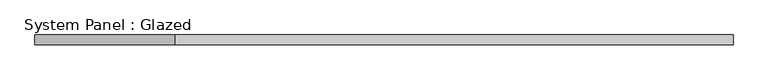
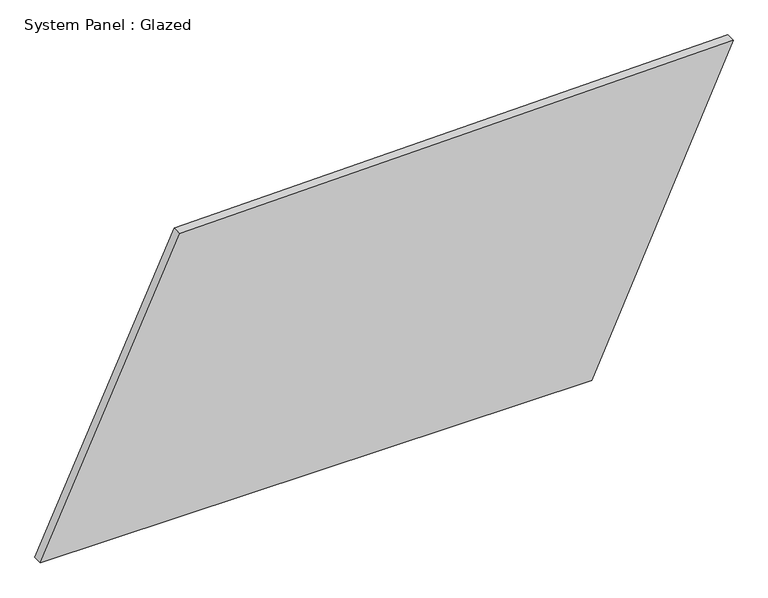
"""IFC4 building model written with IfcOpenShell, lengths in millimetres: plate geometry, System Panel : Glazed."""

from ifc_helpers import new_model, si_unit, frame, origin, place, context, project, spatial, polyline, outline, extrude, source, transform, mapped, element, save


def system_panel_glazed_609f23b9(model_context):
    return source(origin(), model_context, "Body", "SweptSolid", [
        extrude(outline(polyline([(0.0, -905.9095058), (0.0, 535.8699701), (811.4046155, 905.9095058), (782.7932979, -541.3494196), (0.0, -905.9095058)])), frame((0.0, -49.5, 0.0), z_axis=(0.0, 1.0, 0.0), x_axis=(0.0, 0.0, 1.0)), (0.0, 0.0, 1.0), 25.0),
    ])


if __name__ == "__main__":
    model = new_model("IFC4")
    model_context = context("Model", 3, world=origin())
    ifc_project = project(units=[si_unit("LENGTHUNIT", "METRE", prefix="MILLI")], contexts=[model_context])
    site = spatial("IfcSite", under=ifc_project)
    building = spatial("IfcBuilding", under=site)
    placement = place(None, origin())
    system_panel_glazed_shape = system_panel_glazed_609f23b9(model_context)
    element("IfcPlate", 1, ObjectType="System Panel : Glazed", at=placement, inside=building, context=model_context, shape_type="MappedRepresentation", body=[
        mapped(system_panel_glazed_shape, transform((0.0, 0.0, 0.0), x_axis=(1.0, 0.0, 0.0), y_axis=(0.0, 1.0, 0.0), z_axis=(0.0, 0.0, 1.0))),
    ])
    save(model, "model.ifc")
